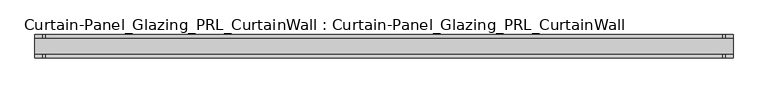
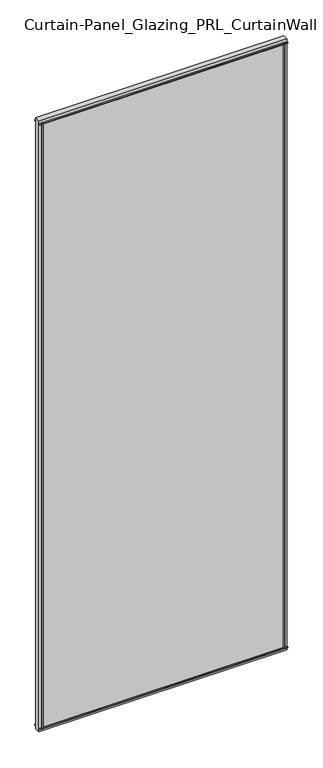
"""IFC4 building model written with IfcOpenShell, lengths in millimetres: plate geometry, Curtain-Panel_Glazing_PRL_CurtainWall : Curtain-Panel_Glazing_PRL_CurtainWall."""

from ifc_helpers import new_model, si_unit, frame, origin, origin_with_axes, place, context, project, spatial, polyline, outline, extrude, source, transform, mapped, element, save


def curtain_panel_glazing_prl_curtainwall_curtain_panel_glazing_0a85f4de(model_context):
    return source(origin(), model_context, "Body", "SweptSolid", [
        extrude(outline(polyline([(558.8, -19.05), (554.83125, -19.05), (554.83125, -12.7), (558.8, -12.7), (558.8, -19.05)])), frame((0.0, 0.0, 12.7), z_axis=(0.0, 0.0, 1.0), x_axis=(1.0, 0.0, 0.0)), (0.0, 0.0, 1.0), 2946.4),
        extrude(outline(polyline([(558.8, 19.05), (558.8, 12.7), (554.83125, 12.7), (554.83125, 19.05), (558.8, 19.05)])), frame((0.0, 0.0, 12.7), z_axis=(0.0, 0.0, 1.0), x_axis=(1.0, 0.0, 0.0)), (0.0, 0.0, 1.0), 2946.4),
        extrude(outline(polyline([(-558.8, -19.05), (-558.8, -12.7), (-554.83125, -12.7), (-554.83125, -19.05), (-558.8, -19.05)])), frame((0.0, 0.0, 12.7), z_axis=(0.0, 0.0, 1.0), x_axis=(1.0, 0.0, 0.0)), (0.0, 0.0, 1.0), 2946.4),
        extrude(outline(polyline([(-558.8, 19.05), (-554.83125, 19.05), (-554.83125, 12.7), (-558.8, 12.7), (-558.8, 19.05)])), frame((0.0, 0.0, 12.7), z_axis=(0.0, 0.0, 1.0), x_axis=(1.0, 0.0, 0.0)), (0.0, 0.0, 1.0), 2946.4),
        extrude(outline(polyline([(571.5, 12.7), (571.5, -12.7), (-571.5, -12.7), (-571.5, 12.7), (571.5, 12.7)])), origin_with_axes(), (0.0, 0.0, 1.0), 2971.8),
        extrude(outline(polyline([(-571.5, -19.05), (-571.5, -12.7), (571.5, -12.7), (571.5, -19.05), (-571.5, -19.05)])), frame((0.0, 0.0, 2955.13125), z_axis=(0.0, 0.0, 1.0), x_axis=(1.0, 0.0, 0.0)), (0.0, 0.0, 1.0), 3.96875),
        extrude(outline(polyline([(-571.5, 19.05), (571.5, 19.05), (571.5, 12.7), (-571.5, 12.7), (-571.5, 19.05)])), frame((0.0, 0.0, 2955.13125), z_axis=(0.0, 0.0, 1.0), x_axis=(1.0, 0.0, 0.0)), (0.0, 0.0, 1.0), 3.96875),
        extrude(outline(polyline([(-571.5, -19.05), (-571.5, -12.7), (571.5, -12.7), (571.5, -19.05), (-571.5, -19.05)])), frame((0.0, 0.0, 12.7), z_axis=(0.0, 0.0, 1.0), x_axis=(1.0, 0.0, 0.0)), (0.0, 0.0, 1.0), 3.96875),
        extrude(outline(polyline([(-571.5, 19.05), (571.5, 19.05), (571.5, 12.7), (-571.5, 12.7), (-571.5, 19.05)])), frame((0.0, 0.0, 12.7), z_axis=(0.0, 0.0, 1.0), x_axis=(1.0, 0.0, 0.0)), (0.0, 0.0, 1.0), 3.96875),
    ])


if __name__ == "__main__":
    model = new_model("IFC4")
    model_context = context("Model", 3, world=origin())
    ifc_project = project(units=[si_unit("LENGTHUNIT", "METRE", prefix="MILLI")], contexts=[model_context])
    site = spatial("IfcSite", under=ifc_project)
    building = spatial("IfcBuilding", under=site)
    placement = place(None, origin())
    curtain_panel_glazing_prl_curtainwall_curtain_panel_glazing_shape = curtain_panel_glazing_prl_curtainwall_curtain_panel_glazing_0a85f4de(model_context)
    element("IfcPlate", 1, ObjectType="Curtain-Panel_Glazing_PRL_CurtainWall : Curtain-Panel_Glazing_PRL_CurtainWall", at=placement, inside=building, context=model_context, shape_type="MappedRepresentation", body=[
        mapped(curtain_panel_glazing_prl_curtainwall_curtain_panel_glazing_shape, transform((0.0, 0.0, 0.0), x_axis=(1.0, 0.0, 0.0), y_axis=(0.0, 1.0, 0.0), z_axis=(0.0, 0.0, 1.0))),
    ])
    save(model, "model.ifc")
